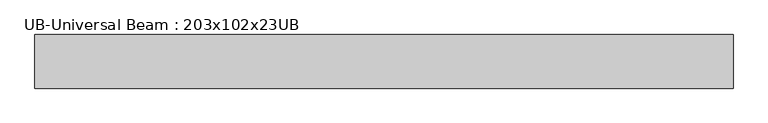
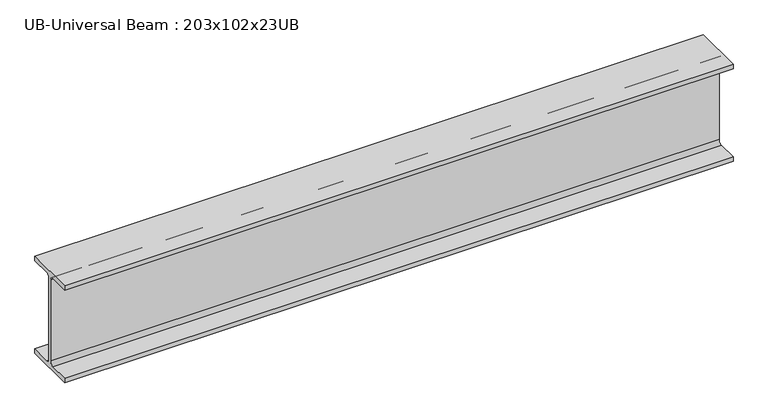
"""IFC4 building model written with IfcOpenShell, lengths in millimetres: beam geometry, UB-Universal Beam : 203x102x23UB."""

from ifc_helpers import new_model, si_unit, point, frame, frame_2d, origin, place, context, project, spatial, polyline, circle_curve, trimmed, segment, composite_curve, outline, extrude, source, transform, mapped, element, save


def ub_universal_beam_203x102x23ub_28911160(model_context):
    return source(origin(), model_context, "Body", "SweptSolid", [
        extrude(outline(composite_curve([segment(polyline([(50.9, -92.3), (50.9, -101.6), (-50.9, -101.6), (-50.9, -92.3), (-10.3, -92.3)]), True, "CONTINUOUS"), segment(trimmed(circle_curve(frame_2d((-10.3, -84.7)), 7.6), [point((-10.3, -92.3))], [point((-2.7, -84.7))], True, "CARTESIAN"), True, "CONTINUOUS"), segment(polyline([(-2.7, -84.7), (-2.7, 84.7)]), True, "CONTINUOUS"), segment(trimmed(circle_curve(frame_2d((-10.3, 84.7)), 7.6), [point((-2.7, 84.7))], [point((-10.3, 92.3))], True, "CARTESIAN"), True, "CONTINUOUS"), segment(polyline([(-10.3, 92.3), (-50.9, 92.3), (-50.9, 101.6), (50.9, 101.6), (50.9, 92.3), (10.3, 92.3)]), True, "CONTINUOUS"), segment(trimmed(circle_curve(frame_2d((10.3, 84.7)), 7.6), [point((10.3, 92.3))], [point((2.7, 84.7))], True, "CARTESIAN"), True, "CONTINUOUS"), segment(polyline([(2.7, 84.7), (2.7, -84.7)]), True, "CONTINUOUS"), segment(trimmed(circle_curve(frame_2d((10.3, -84.7)), 7.6), [point((2.7, -84.7))], [point((10.3, -92.3))], True, "CARTESIAN"), True, "CONTINUOUS"), segment(polyline([(10.3, -92.3), (50.9, -92.3)]), True, "CONTINUOUS")], self_intersect=False)), frame((-664.8, 0.0, 0.0), z_axis=(1.0, 0.0, 0.0), x_axis=(0.0, 1.0, 0.0)), (0.0, 0.0, 1.0), 1325.5),
    ])


if __name__ == "__main__":
    model = new_model("IFC4")
    model_context = context("Model", 3, world=origin())
    ifc_project = project(units=[si_unit("LENGTHUNIT", "METRE", prefix="MILLI")], contexts=[model_context])
    site = spatial("IfcSite", under=ifc_project)
    building = spatial("IfcBuilding", under=site)
    placement = place(None, origin())
    ub_universal_beam_203x102x23ub_shape = ub_universal_beam_203x102x23ub_28911160(model_context)
    element("IfcBeam", 1, ObjectType="UB-Universal Beam : 203x102x23UB", at=placement, inside=building, context=model_context, shape_type="MappedRepresentation", body=[
        mapped(ub_universal_beam_203x102x23ub_shape, transform((0.0, 0.0, 0.0), x_axis=(1.0, 0.0, 0.0), y_axis=(0.0, 1.0, 0.0), z_axis=(0.0, 0.0, 1.0))),
    ])
    save(model, "model.ifc")
